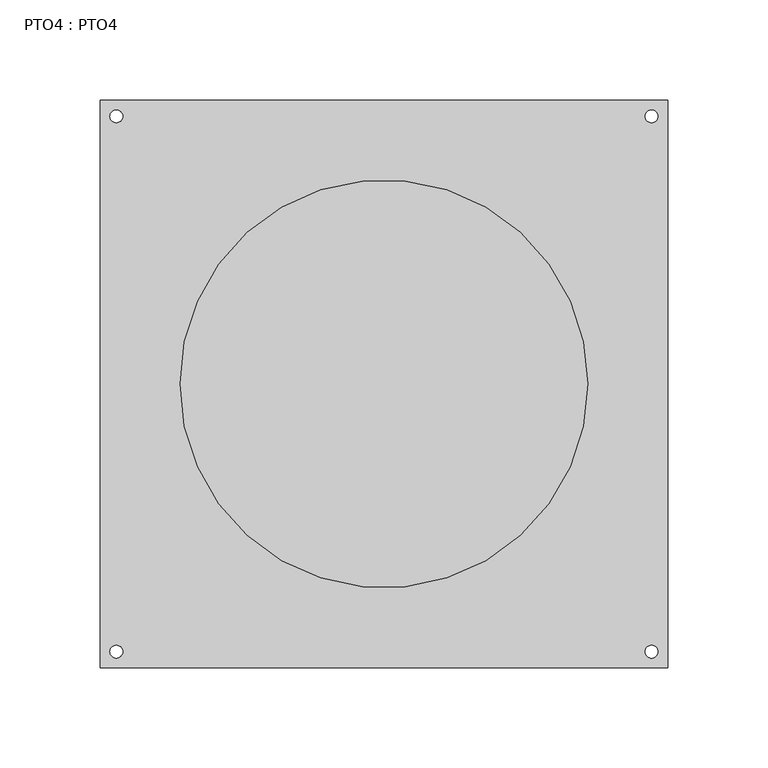
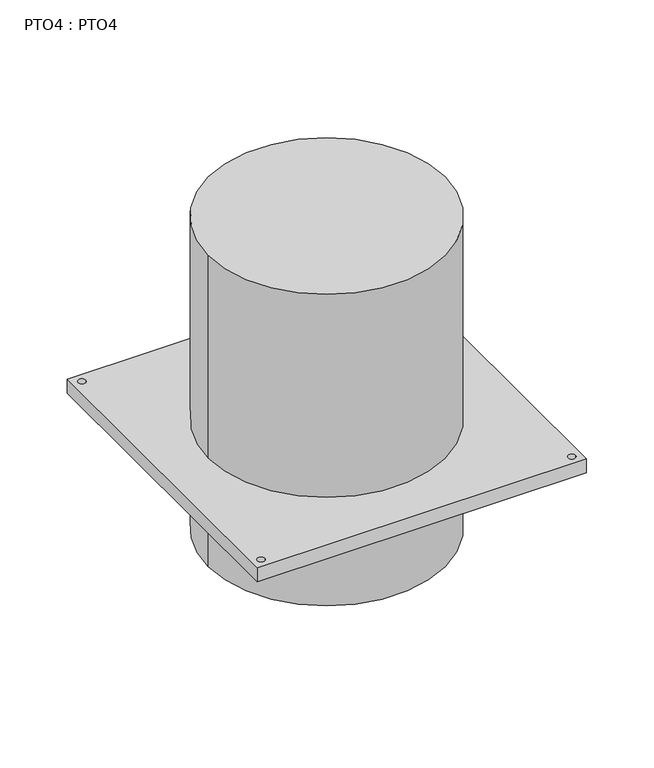
"""IFC4 building model written with IfcOpenShell, lengths in millimetres: proxy geometry, PTO4 : PTO4."""

from ifc_helpers import new_model, si_unit, point, frame, frame_2d, origin, origin_with_axes, origin_2d, place, context, project, spatial, polyline, circle_curve, trimmed, segment, composite_curve, outline, extrude, source, transform, mapped, element, save


def pto4_pto4_1e627bee(model_context):
    return source(origin(), model_context, "Body", "SweptSolid", [
        extrude(outline(composite_curve([segment(trimmed(circle_curve(origin_2d(), 63.5), [point((-63.5, 0.0))], [point((63.5, 0.0))], False, "CARTESIAN"), True, "CONTINUOUS"), segment(trimmed(circle_curve(origin_2d(), 63.5), [point((63.5, 0.0))], [point((-63.5, 0.0))], False, "CARTESIAN"), True, "CONTINUOUS")], self_intersect=False)), frame((0.0, 0.0, -107.95), z_axis=(0.0, 0.0, 1.0), x_axis=(1.0, 0.0, 0.0)), (0.0, 0.0, 1.0), 22.098),
        extrude(outline(composite_curve([segment(trimmed(circle_curve(origin_2d(), 101.6), [point((-101.6, 0.0))], [point((101.6, 0.0))], False, "CARTESIAN"), True, "CONTINUOUS"), segment(trimmed(circle_curve(origin_2d(), 101.6), [point((101.6, 0.0))], [point((-101.6, 0.0))], False, "CARTESIAN"), True, "CONTINUOUS")], self_intersect=False)), frame((0.0, 0.0, -85.852), z_axis=(0.0, 0.0, 1.0), x_axis=(1.0, 0.0, 0.0)), (0.0, 0.0, 1.0), 85.852),
        extrude(outline(composite_curve([segment(trimmed(circle_curve(origin_2d(), 101.6), [point((-101.6, 0.0))], [point((101.6, 0.0))], False, "CARTESIAN"), True, "CONTINUOUS"), segment(trimmed(circle_curve(origin_2d(), 101.6), [point((101.6, 0.0))], [point((-101.6, 0.0))], False, "CARTESIAN"), True, "CONTINUOUS")], self_intersect=False)), frame((0.0, 0.0, 12.7), z_axis=(0.0, 0.0, 1.0), x_axis=(1.0, 0.0, 0.0)), (0.0, 0.0, 1.0), 184.15),
        extrude(outline(polyline([(141.2875, 141.2875), (141.2875, -141.2875), (-141.2875, -141.2875), (-141.2875, 141.2875), (141.2875, 141.2875)]), holes=[composite_curve([segment(trimmed(circle_curve(frame_2d((133.3499947, 133.3499947)), 3.1749999), [point((130.1749948, 133.3499947))], [point((136.5249946, 133.3499947))], True, "CARTESIAN"), True, "CONTINUOUS"), segment(trimmed(circle_curve(frame_2d((133.3499947, 133.3499947)), 3.1749999), [point((136.5249946, 133.3499947))], [point((130.1749948, 133.3499947))], True, "CARTESIAN"), True, "CONTINUOUS")], self_intersect=False), composite_curve([segment(trimmed(circle_curve(frame_2d((-133.3499947, 133.3499947)), 3.1749999), [point((-136.5249946, 133.3499947))], [point((-130.1749948, 133.3499947))], True, "CARTESIAN"), True, "CONTINUOUS"), segment(trimmed(circle_curve(frame_2d((-133.3499947, 133.3499947)), 3.1749999), [point((-130.1749948, 133.3499947))], [point((-136.5249946, 133.3499947))], True, "CARTESIAN"), True, "CONTINUOUS")], self_intersect=False), composite_curve([segment(trimmed(circle_curve(frame_2d((-133.3499947, -133.3499947)), 3.1749999), [point((-136.5249946, -133.3499947))], [point((-130.1749948, -133.3499947))], True, "CARTESIAN"), True, "CONTINUOUS"), segment(trimmed(circle_curve(frame_2d((-133.3499947, -133.3499947)), 3.1749999), [point((-130.1749948, -133.3499947))], [point((-136.5249946, -133.3499947))], True, "CARTESIAN"), True, "CONTINUOUS")], self_intersect=False), composite_curve([segment(trimmed(circle_curve(frame_2d((133.3499947, -133.3499947)), 3.1749999), [point((130.1749948, -133.3499947))], [point((136.5249946, -133.3499947))], True, "CARTESIAN"), True, "CONTINUOUS"), segment(trimmed(circle_curve(frame_2d((133.3499947, -133.3499947)), 3.1749999), [point((136.5249946, -133.3499947))], [point((130.1749948, -133.3499947))], True, "CARTESIAN"), True, "CONTINUOUS")], self_intersect=False)]), origin_with_axes(), (0.0, 0.0, 1.0), 12.7),
    ])


if __name__ == "__main__":
    model = new_model("IFC4")
    model_context = context("Model", 3, world=origin())
    ifc_project = project(units=[si_unit("LENGTHUNIT", "METRE", prefix="MILLI")], contexts=[model_context])
    site = spatial("IfcSite", under=ifc_project)
    building = spatial("IfcBuilding", under=site)
    placement = place(None, origin())
    pto4_pto4_shape = pto4_pto4_1e627bee(model_context)
    element("IfcBuildingElementProxy", 1, Name="PTO4 : PTO4", ObjectType="PTO4 : PTO4", at=placement, inside=building, context=model_context, shape_type="MappedRepresentation", body=[
        mapped(pto4_pto4_shape, transform((0.0, 0.0, 0.0), x_axis=(1.0, 0.0, 0.0), y_axis=(0.0, 1.0, 0.0), z_axis=(0.0, 0.0, 1.0))),
    ])
    save(model, "model.ifc")
